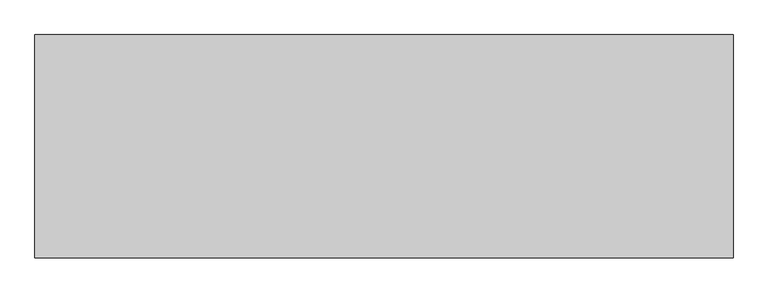
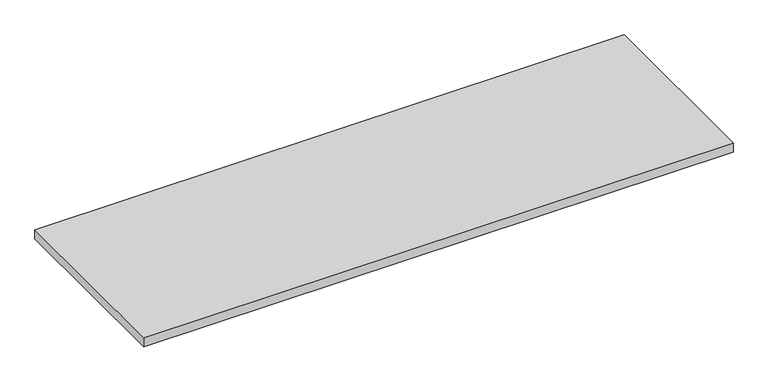
"""IFC4 building model written with IfcOpenShell, lengths in millimetres: furniture geometry."""

from ifc_helpers import new_model, si_unit, frame, origin, place, context, project, spatial, polyline, outline, extrude, source, transform, mapped, element, save


def furniture_942556b8(model_context):
    return source(origin(), model_context, "Body", "SweptSolid", [
        extrude(outline(polyline([(1363.1275996, 174.6914812), (-462.6244004, 174.6914812), (-462.6244004, 758.8914812), (1363.1275996, 758.8914812), (1363.1275996, 174.6914812)])), frame((0.0, 0.0, 707.0328125), z_axis=(0.0, 0.0, 1.0), x_axis=(1.0, 0.0, 0.0)), (0.0, 0.0, 1.0), 29.5671875),
    ])


if __name__ == "__main__":
    model = new_model("IFC4")
    model_context = context("Model", 3, world=origin())
    ifc_project = project(units=[si_unit("LENGTHUNIT", "METRE", prefix="MILLI")], contexts=[model_context])
    site = spatial("IfcSite", under=ifc_project)
    building = spatial("IfcBuilding", under=site)
    placement = place(None, origin())
    furniture_shape = furniture_942556b8(model_context)
    element("IfcFurniture", 1, at=placement, inside=building, context=model_context, shape_type="MappedRepresentation", body=[
        mapped(furniture_shape, transform((0.0, 0.0, 0.0), x_axis=(1.0, 0.0, 0.0), y_axis=(0.0, 1.0, 0.0), z_axis=(0.0, 0.0, 1.0))),
    ])
    save(model, "model.ifc")
